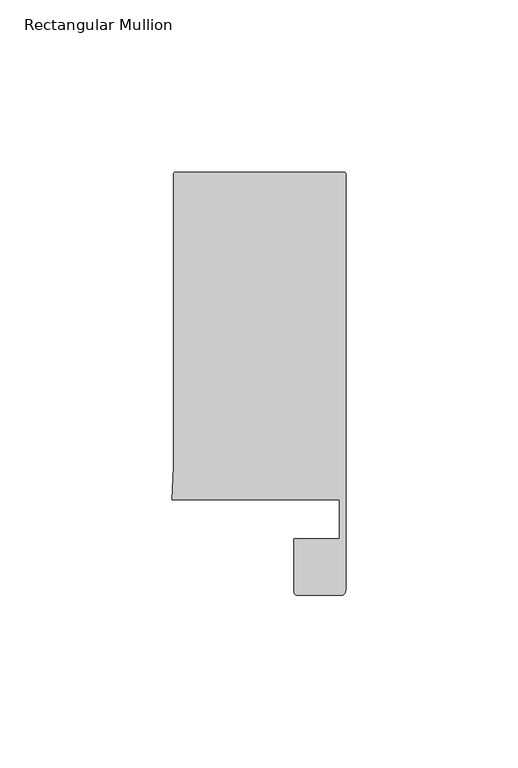
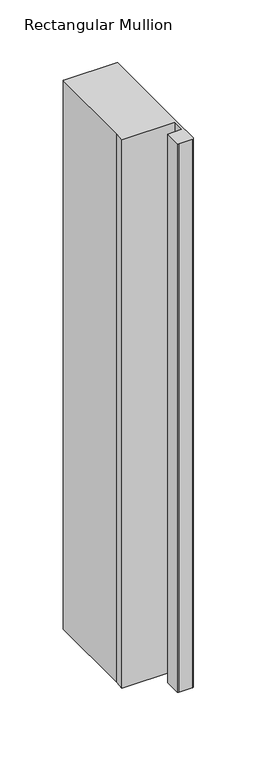
"""IFC4 building model written with IfcOpenShell, lengths in millimetres: member geometry, Rectangular Mullion."""

from ifc_helpers import new_model, si_unit, frame, origin, place, context, project, spatial, circle_curve, source, transform, mapped, element, save
from ifc_brep_helpers import plane_surface, cylinder_surface, advanced_brep


def rectangular_mullion_207ec83f(model_context):
    return source(origin(), model_context, "Body", "AdvancedBrep", [
        advanced_brep(
        [(-49.5, 108.995417, 0.0), (-50.0, 108.495417, 0.0), (-50.0, 23.4856858, 0.0), (-50.4480459, 14.0, 0.0), (-1.8, 14.0, 0.0), (-1.8, 2.6022043, 0.0), (-15.0, 2.6022043, 0.0), (-15.0, -12.8070793, 0.0), (-13.9997566, -13.8070793, 0.0), (-1.5, -13.8070793, 0.0), (0.0, -12.3070793, 0.0), (0.0, 14.0, 0.0), (0.0, 108.495417, 0.0), (-0.5, 108.995417, 0.0), (-49.5, 108.995417, -535.2150176), (-0.5, 108.995417, -535.2150176), (0.0, 108.495417, -535.2150176), (0.0, 14.0, -535.2150176), (0.0, -12.3070793, -535.2150176), (-1.5, -13.8070793, -535.2150176), (-13.9997566, -13.8070793, -535.2150176), (-14.9997566, -12.8070793, -535.2150176), (-15.0, 2.6022043, -535.2150176), (-1.8, 2.6022043, -535.2150176), (-1.8, 14.0, -535.2150176), (-50.4480459, 14.0, -535.2150176), (-50.0, 23.4856858, -535.2150176), (-50.0, 108.495417, -535.2150176)],
        [
            (0, 1, circle_curve(frame((-49.5, 108.495417, 0.0), z_axis=(0.0, 0.0, 1.0), x_axis=(1.0, 0.0, 0.0)), 0.5)),
            (1, 2),
            (2, 3),
            (3, 4),
            (4, 5),
            (5, 6),
            (6, 7),
            (7, 8, circle_curve(frame((-13.9997566, -12.8070793, 0.0), z_axis=(0.0, 0.0, 1.0), x_axis=(1.0, 0.0, 0.0)), 1.0)),
            (8, 9),
            (9, 10, circle_curve(frame((-1.5, -12.3070793, 0.0), z_axis=(0.0, 0.0, 1.0), x_axis=(1.0, 0.0, 0.0)), 1.5)),
            (10, 11),
            (11, 12),
            (12, 13, circle_curve(frame((-0.5, 108.495417, 0.0), z_axis=(0.0, 0.0, 1.0), x_axis=(1.0, 0.0, 0.0)), 0.5)),
            (13, 0),
            (14, 15),
            (15, 16, circle_curve(frame((-0.5, 108.495417, -535.2150176), z_axis=(0.0, 0.0, -1.0), x_axis=(1.0, 0.0, 0.0)), 0.5)),
            (16, 17),
            (17, 18),
            (18, 19, circle_curve(frame((-1.5, -12.3070793, -535.2150176), z_axis=(0.0, 0.0, -1.0), x_axis=(1.0, 0.0, 0.0)), 1.5)),
            (19, 20),
            (20, 21, circle_curve(frame((-13.9997566, -12.8070793, -535.2150176), z_axis=(0.0, 0.0, -1.0), x_axis=(1.0, 0.0, 0.0)), 1.0)),
            (21, 22),
            (22, 23),
            (23, 24),
            (24, 25),
            (25, 26),
            (26, 27),
            (27, 14, circle_curve(frame((-49.5, 108.495417, -535.2150176), z_axis=(0.0, 0.0, -1.0), x_axis=(1.0, 0.0, 0.0)), 0.5)),
            (11, 17),
            (16, 12),
            (2, 26),
            (25, 3),
            (1, 27),
            (0, 14),
            (24, 4),
            (23, 5),
            (22, 6),
            (21, 7),
            (20, 8),
            (19, 9),
            (18, 10),
            (15, 13),
        ],
        [
            plane_surface(frame((0.0, -119.7224922, 0.0), z_axis=(0.0, 0.0, 1.0), x_axis=(-1.0, 0.0, 0.0))),
            plane_surface(frame((0.0, -119.7224922, -535.2150176), z_axis=(0.0, 0.0, -1.0), x_axis=(-1.0, 0.0, 0.0))),
            plane_surface(frame((0.0, 14.0, 0.0), z_axis=(1.0, 0.0, 0.0), x_axis=(0.0, 0.0, -1.0))),
            plane_surface(frame((-50.0, 23.4856858, 0.0), z_axis=(-0.9988863426396719, 0.047181293834952384, 0.0), x_axis=(0.0, 0.0, -1.0))),
            plane_surface(frame((-50.0, 108.495417, 0.0), z_axis=(-1.0, 0.0, 0.0), x_axis=(0.0, 0.0, -1.0))),
            cylinder_surface(frame((-49.5, 108.495417, 0.0), z_axis=(0.0, 0.0, 1.0), x_axis=(1.0, 0.0, 0.0)), 0.5),
            plane_surface(frame((-50.4480459, 14.0, 0.0), z_axis=(0.0, -1.0, 0.0), x_axis=(0.0, 0.0, -1.0))),
            plane_surface(frame((-1.8, 14.0, 0.0), z_axis=(-1.0, 0.0, 0.0), x_axis=(0.0, 0.0, -1.0))),
            plane_surface(frame((-1.8, 2.6022043, 0.0), z_axis=(0.0, 1.0, 0.0), x_axis=(0.0, 0.0, -1.0))),
            plane_surface(frame((-15.0, 2.6022043, 0.0), z_axis=(-1.0, 0.0, 0.0), x_axis=(0.0, 0.0, -1.0))),
            cylinder_surface(frame((-13.9997566, -12.8070793, 0.0), z_axis=(0.0, 0.0, 1.0), x_axis=(1.0, 0.0, 0.0)), 1.0),
            plane_surface(frame((-13.9997566, -13.8070793, 0.0), z_axis=(0.0, -1.0, 0.0), x_axis=(0.0, 0.0, -1.0))),
            cylinder_surface(frame((-1.5, -12.3070793, 0.0), z_axis=(0.0, 0.0, 1.0), x_axis=(1.0, 0.0, 0.0)), 1.5),
            plane_surface(frame((0.0, -12.3070793, 0.0), z_axis=(1.0, 0.0, 0.0), x_axis=(0.0, 0.0, -1.0))),
            cylinder_surface(frame((-0.5, 108.495417, 0.0), z_axis=(0.0, 0.0, 1.0), x_axis=(1.0, 0.0, 0.0)), 0.5),
            plane_surface(frame((-0.5, 108.995417, 0.0), z_axis=(0.0, 1.0, 0.0), x_axis=(0.0, 0.0, -1.0))),
        ],
        [
            (0, [[1, 2, 3, 4, 5, 6, 7, 8, 9, 10, 11, 12, 13, 14]]),
            (1, [[15, 16, 17, 18, 19, 20, 21, 22, 23, 24, 25, 26, 27, 28]]),
            (2, [[-12, 29, -17, 30]]),
            (3, [[-3, 31, -26, 32]]),
            (4, [[-2, 33, -27, -31]]),
            (5, [[-1, 34, -28, -33]]),
            (6, [[-4, -32, -25, 35]]),
            (7, [[-5, -35, -24, 36]]),
            (8, [[-6, -36, -23, 37]]),
            (9, [[-7, -37, -22, 38]]),
            (10, [[-8, -38, -21, 39]]),
            (11, [[-9, -39, -20, 40]]),
            (12, [[-10, -40, -19, 41]]),
            (13, [[-11, -41, -18, -29]]),
            (14, [[-13, -30, -16, 42]]),
            (15, [[-14, -42, -15, -34]]),
        ],
    ),
    ])


if __name__ == "__main__":
    model = new_model("IFC4")
    model_context = context("Model", 3, world=origin())
    ifc_project = project(units=[si_unit("LENGTHUNIT", "METRE", prefix="MILLI")], contexts=[model_context])
    site = spatial("IfcSite", under=ifc_project)
    building = spatial("IfcBuilding", under=site)
    placement = place(None, origin())
    rectangular_mullion_shape = rectangular_mullion_207ec83f(model_context)
    element("IfcMember", 1, ObjectType="Rectangular Mullion", at=placement, inside=building, context=model_context, shape_type="MappedRepresentation", body=[
        mapped(rectangular_mullion_shape, transform((0.0, 0.0, 0.0), x_axis=(1.0, 0.0, 0.0), y_axis=(0.0, 1.0, 0.0), z_axis=(0.0, 0.0, 1.0))),
    ])
    save(model, "model.ifc")
